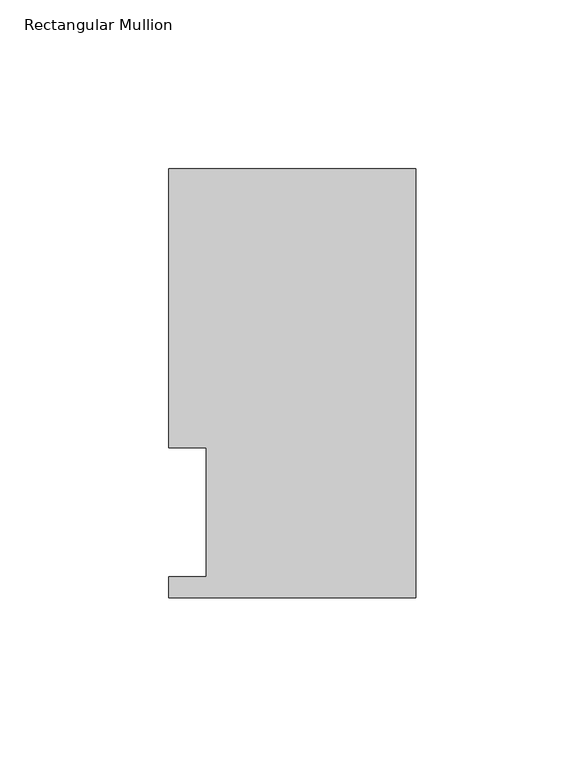
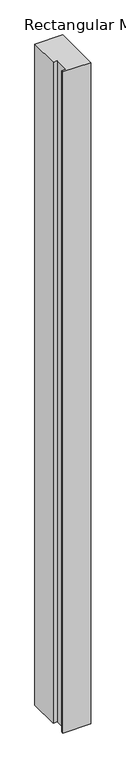
"""IFC4 building model written with IfcOpenShell, lengths in millimetres: member geometry, Rectangular Mullion."""

from ifc_helpers import new_model, si_unit, frame, origin, place, context, project, spatial, polyline, outline, extrude, source, transform, mapped, element, save


def rectangular_mullion_a7976484(model_context):
    return source(origin(), model_context, "Body", "SweptSolid", [
        extrude(outline(polyline([(0.0, 127.0), (0.0, 0.0), (-73.025, 0.0), (-73.025, 6.35), (-61.9125, 6.35), (-61.9125, 44.45), (-73.025, 44.45), (-73.025, 127.0), (0.0, 127.0)])), frame((0.0, 0.0, -1828.8), z_axis=(0.0, 0.0, 1.0), x_axis=(1.0, 0.0, 0.0)), (0.0, 0.0, 1.0), 1828.8),
    ])


if __name__ == "__main__":
    model = new_model("IFC4")
    model_context = context("Model", 3, world=origin())
    ifc_project = project(units=[si_unit("LENGTHUNIT", "METRE", prefix="MILLI")], contexts=[model_context])
    site = spatial("IfcSite", under=ifc_project)
    building = spatial("IfcBuilding", under=site)
    placement = place(None, origin())
    rectangular_mullion_shape = rectangular_mullion_a7976484(model_context)
    element("IfcMember", 1, ObjectType="Rectangular Mullion", at=placement, inside=building, context=model_context, shape_type="MappedRepresentation", body=[
        mapped(rectangular_mullion_shape, transform((0.0, 0.0, 0.0), x_axis=(1.0, 0.0, 0.0), y_axis=(0.0, 1.0, 0.0), z_axis=(0.0, 0.0, 1.0))),
    ])
    save(model, "model.ifc")
